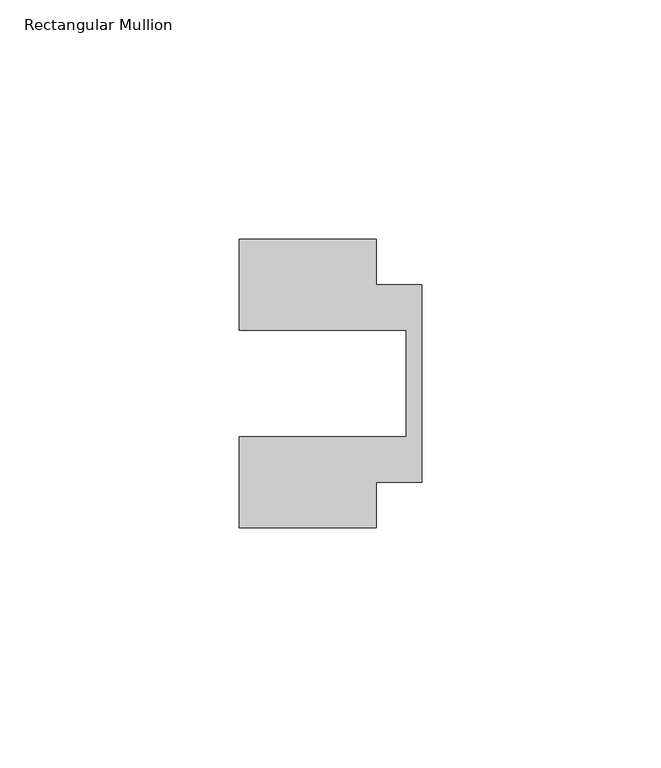
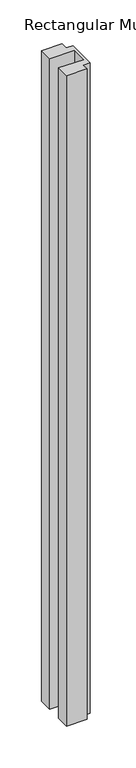
"""IFC4 building model written with IfcOpenShell, lengths in millimetres: member geometry, Rectangular Mullion."""

from ifc_helpers import new_model, si_unit, frame, origin, place, context, project, spatial, polyline, outline, extrude, source, transform, mapped, element, save


def rectangular_mullion_8e47b1a3(model_context):
    return source(origin(), model_context, "Body", "SweptSolid", [
        extrude(outline(polyline([(-38.1, 11.1125), (-38.1, 30.1625), (-9.525, 30.1625), (-9.525, 20.6375), (0.0, 20.6375), (0.0, -20.6375), (-9.525, -20.6375), (-9.525, -30.1625), (-38.1, -30.1625), (-38.1, -11.1125), (-3.175, -11.1125), (-3.175, 11.1125), (-38.1, 11.1125)])), frame((0.0, 0.0, -952.5), z_axis=(0.0, 0.0, 1.0), x_axis=(1.0, 0.0, 0.0)), (0.0, 0.0, 1.0), 952.5),
    ])


if __name__ == "__main__":
    model = new_model("IFC4")
    model_context = context("Model", 3, world=origin())
    ifc_project = project(units=[si_unit("LENGTHUNIT", "METRE", prefix="MILLI")], contexts=[model_context])
    site = spatial("IfcSite", under=ifc_project)
    building = spatial("IfcBuilding", under=site)
    placement = place(None, origin())
    rectangular_mullion_shape = rectangular_mullion_8e47b1a3(model_context)
    element("IfcMember", 1, ObjectType="Rectangular Mullion", at=placement, inside=building, context=model_context, shape_type="MappedRepresentation", body=[
        mapped(rectangular_mullion_shape, transform((0.0, 0.0, 0.0), x_axis=(1.0, 0.0, 0.0), y_axis=(0.0, 1.0, 0.0), z_axis=(0.0, 0.0, 1.0))),
    ])
    save(model, "model.ifc")
